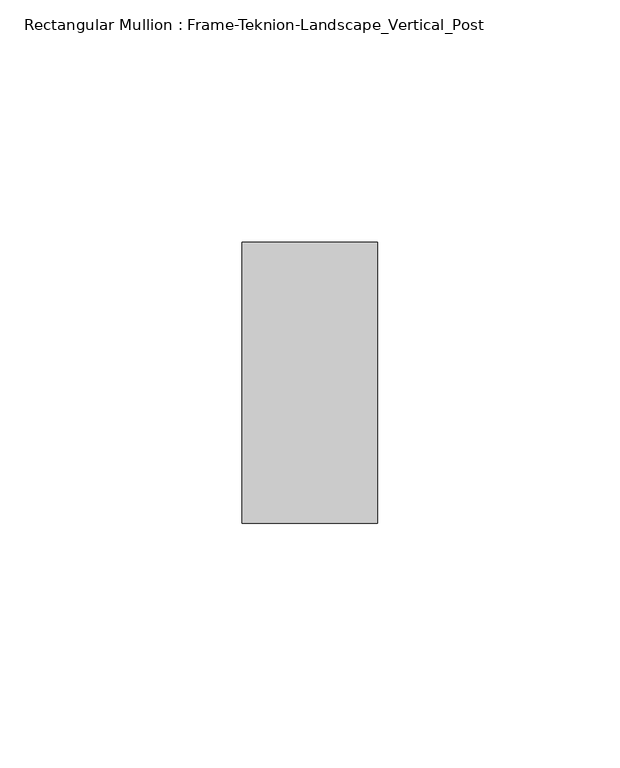
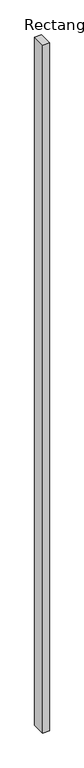
"""IFC4 building model written with IfcOpenShell, lengths in millimetres: member geometry, Rectangular Mullion : Frame-Teknion-Landscape_Vertical_Post."""

from ifc_helpers import new_model, si_unit, frame, origin, place, context, project, spatial, polyline, outline, extrude, source, transform, mapped, element, save


def rectangular_mullion_frame_teknion_landscape_vertical_post_05f5e206(model_context):
    return source(origin(), model_context, "Body", "SweptSolid", [
        extrude(outline(polyline([(-13.9898438, 28.971875), (13.9898438, 28.971875), (13.9898438, -28.971875), (-13.9898438, -28.971875), (-13.9898438, 28.971875)])), frame((0.0, 0.0, -3048.0), z_axis=(0.0, 0.0, 1.0), x_axis=(1.0, 0.0, 0.0)), (0.0, 0.0, 1.0), 3048.0),
    ])


if __name__ == "__main__":
    model = new_model("IFC4")
    model_context = context("Model", 3, world=origin())
    ifc_project = project(units=[si_unit("LENGTHUNIT", "METRE", prefix="MILLI")], contexts=[model_context])
    site = spatial("IfcSite", under=ifc_project)
    building = spatial("IfcBuilding", under=site)
    placement = place(None, origin())
    rectangular_mullion_frame_teknion_landscape_vertical_post_shape = rectangular_mullion_frame_teknion_landscape_vertical_post_05f5e206(model_context)
    element("IfcMember", 1, ObjectType="Rectangular Mullion : Frame-Teknion-Landscape_Vertical_Post", at=placement, inside=building, context=model_context, shape_type="MappedRepresentation", body=[
        mapped(rectangular_mullion_frame_teknion_landscape_vertical_post_shape, transform((0.0, 0.0, 0.0), x_axis=(1.0, 0.0, 0.0), y_axis=(0.0, 1.0, 0.0), z_axis=(0.0, 0.0, 1.0))),
    ])
    save(model, "model.ifc")
